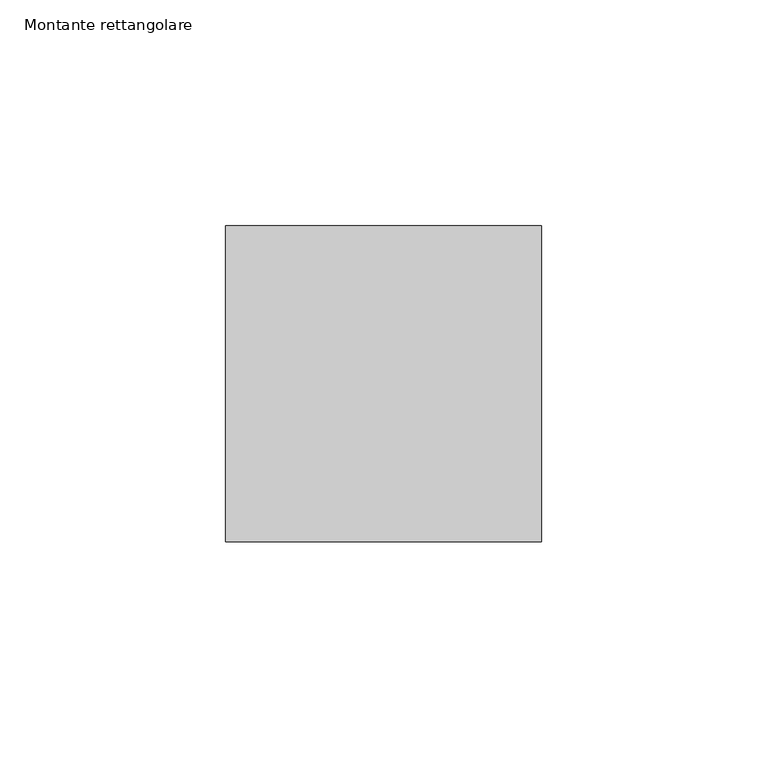
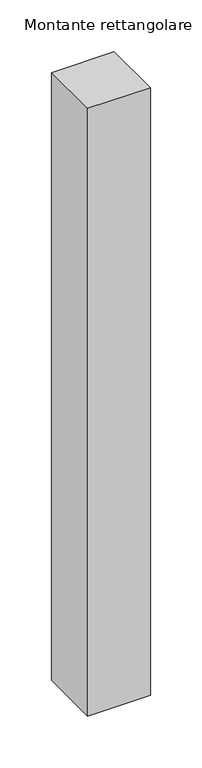
"""IFC4 building model written with IfcOpenShell, lengths in millimetres: member geometry, Montante rettangolare."""

from ifc_helpers import new_model, si_unit, frame, origin, place, context, project, spatial, polyline, outline, extrude, source, transform, mapped, element, save


def montante_rettangolare_6964cefb(model_context):
    return source(origin(), model_context, "Body", "SweptSolid", [
        extrude(outline(polyline([(35.0, 35.0), (35.0, -35.0), (-35.0, -35.0), (-35.0, 35.0), (35.0, 35.0)])), frame((0.0, 0.0, -717.0699651), z_axis=(0.0, 0.0, 1.0), x_axis=(1.0, 0.0, 0.0)), (0.0, 0.0, 1.0), 717.0699651),
    ])


if __name__ == "__main__":
    model = new_model("IFC4")
    model_context = context("Model", 3, world=origin())
    ifc_project = project(units=[si_unit("LENGTHUNIT", "METRE", prefix="MILLI")], contexts=[model_context])
    site = spatial("IfcSite", under=ifc_project)
    building = spatial("IfcBuilding", under=site)
    placement = place(None, origin())
    montante_rettangolare_shape = montante_rettangolare_6964cefb(model_context)
    element("IfcMember", 1, ObjectType="Montante rettangolare", at=placement, inside=building, context=model_context, shape_type="MappedRepresentation", body=[
        mapped(montante_rettangolare_shape, transform((0.0, 0.0, 0.0), x_axis=(1.0, 0.0, 0.0), y_axis=(0.0, 1.0, 0.0), z_axis=(0.0, 0.0, 1.0))),
    ])
    save(model, "model.ifc")
